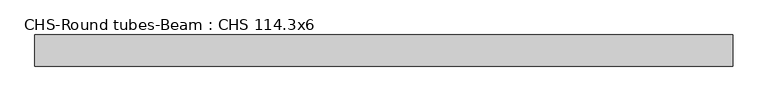
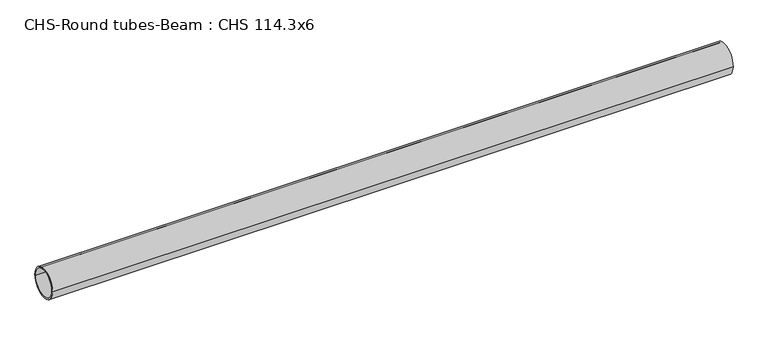
"""IFC4 building model written with IfcOpenShell, lengths in millimetres: beam geometry, CHS-Round tubes-Beam : CHS 114.3x6."""

import ifcopenshell
import ifcopenshell.guid

model = None  # the IFC model being written
_history = None  # IfcOwnerHistory: only IFC2X3 demands one
_inside = {}  # id of a spatial element -> (the spatial element, [elements in it])
_under = {}  # id of a project, library or spatial element -> (it, [spatial elements below it])
_declared = {}  # id of a project -> (the project, [libraries it declares])
_typed = {}  # id of a type object -> (the type object, [elements of that type])
_made_of = {}  # id of a material, layer set ... -> (it, [elements and type objects made of it])


def new_model(schema):
    """Start an empty IFC model of exactly this schema.

    Asked for "IFC4X3", IfcOpenShell would pick the latest addendum, in which some entities
    have other attributes; the version numbers below select the first issue.
    IFC2X3 requires an IfcOwnerHistory on every rooted entity: one is made here for all.
    """
    global model, _history
    if schema == "IFC4X3":
        model = ifcopenshell.file(schema_version=(4, 3, 0, 0))
    else:
        model = ifcopenshell.file(schema=schema)
    _inside.clear()
    _under.clear()
    _declared.clear()
    _typed.clear()
    _made_of.clear()
    _history = None
    if model.schema == "IFC2X3":
        org = make("IfcOrganization", Name="unknown")
        user = make(
            "IfcPersonAndOrganization",
            ThePerson=make("IfcPerson", FamilyName="unknown"),
            TheOrganization=org,
        )
        app = make(
            "IfcApplication",
            ApplicationDeveloper=org,
            Version="unknown",
            ApplicationFullName="unknown",
            ApplicationIdentifier="unknown",
        )
        _history = make(
            "IfcOwnerHistory",
            OwningUser=user,
            OwningApplication=app,
            ChangeAction="ADDED",
            CreationDate=0,
        )
    return model


def make(cls, **values):
    """One entity of the class cls with the attributes given. An attribute that is None is left unset."""
    return model.create_entity(
        cls, **{name: value for name, value in values.items() if value is not None}
    )


def rooted(cls, **values):
    """An entity with a GlobalId (a new one), such as an element, a storey or a relation."""
    return make(cls, GlobalId=ifcopenshell.guid.new(), OwnerHistory=_history, **values)


def si_unit(unit_type, name, prefix=None):
    """IfcSIUnit, for example si_unit("LENGTHUNIT", "METRE", prefix="MILLI")."""
    return make("IfcSIUnit", UnitType=unit_type, Prefix=prefix, Name=name)


def assignment(units):
    """IfcUnitAssignment: the units of a project."""
    return None if units is None else make("IfcUnitAssignment", Units=units)


def point(xyz):
    """IfcCartesianPoint."""
    return None if xyz is None else make("IfcCartesianPoint", Coordinates=xyz)


def direction(xyz):
    """IfcDirection."""
    return None if xyz is None else make("IfcDirection", DirectionRatios=xyz)


def frame(location, z_axis=None, x_axis=None):
    """IfcAxis2Placement3D, a coordinate frame: its origin and axes. An axis left out is left unset."""
    return make(
        "IfcAxis2Placement3D",
        Location=point(location),
        Axis=direction(z_axis),
        RefDirection=direction(x_axis),
    )


def frame_2d(location, x_axis=None):
    """IfcAxis2Placement2D, a coordinate frame in the plane: its origin and x axis."""
    return make(
        "IfcAxis2Placement2D", Location=point(location), RefDirection=direction(x_axis)
    )


def origin():
    """The frame at (0, 0, 0) with its axes left unset."""
    return frame((0.0, 0.0, 0.0))


def origin_2d():
    """The frame at (0, 0) in the plane with its x axis left unset."""
    return frame_2d((0.0, 0.0))


def place(relative_to, where):
    """IfcLocalPlacement: puts the frame where relative to a parent placement (None: the world)."""
    return make(
        "IfcLocalPlacement", PlacementRelTo=relative_to, RelativePlacement=where
    )


def context(
    kind, dimensions, precision=None, world=None, true_north=None, identifier=None
):
    """IfcGeometricRepresentationContext, for example the 3D "Model" context."""
    return make(
        "IfcGeometricRepresentationContext",
        ContextIdentifier=identifier,
        ContextType=kind,
        CoordinateSpaceDimension=dimensions,
        Precision=precision,
        WorldCoordinateSystem=world,
        TrueNorth=true_north,
    )


def project(units=None, contexts=None):
    """IfcProject with its units and contexts."""
    return rooted(
        "IfcProject",
        Name="project",
        RepresentationContexts=contexts,
        UnitsInContext=assignment(units),
    )


def spatial(cls, under=None, at=None, **own):
    """A site, building, storey or space (cls), placed at a placement, below another one or the project."""
    s = rooted(cls, ObjectPlacement=at, **own)
    if under is not None:
        _under.setdefault(under.id(), (under, []))[1].append(s)
    return s


def circle_curve(where, radius):
    """IfcCircle in the frame where."""
    return make("IfcCircle", Position=where, Radius=radius)


def trimmed(basis, trim1, trim2, sense, master):
    """IfcTrimmedCurve: the piece of a basis curve between two trims."""
    return make(
        "IfcTrimmedCurve",
        BasisCurve=basis,
        Trim1=trim1,
        Trim2=trim2,
        SenseAgreement=sense,
        MasterRepresentation=master,
    )


def segment(curve, same_sense, transition):
    """IfcCompositeCurveSegment."""
    return make(
        "IfcCompositeCurveSegment",
        Transition=transition,
        SameSense=same_sense,
        ParentCurve=curve,
    )


def composite_curve(segments, self_intersect=None):
    """IfcCompositeCurve: segments joined end to end."""
    return make("IfcCompositeCurve", Segments=segments, SelfIntersect=self_intersect)


def outline(outer, holes=None, kind="AREA"):
    """IfcArbitraryClosedProfileDef: a profile drawn as a closed curve; with holes, ...WithVoids."""
    if holes is None:
        return make("IfcArbitraryClosedProfileDef", ProfileType=kind, OuterCurve=outer)
    return make(
        "IfcArbitraryProfileDefWithVoids",
        ProfileType=kind,
        OuterCurve=outer,
        InnerCurves=holes,
    )


def extrude(swept, where, along, depth):
    """IfcExtrudedAreaSolid: the profile swept, set in the frame where, extruded along a direction by depth."""
    return make(
        "IfcExtrudedAreaSolid",
        SweptArea=swept,
        Position=where,
        ExtrudedDirection=direction(along),
        Depth=depth,
    )


def shape(context_of_items, identifier, shape_type, items):
    """IfcShapeRepresentation: the items that make up one representation, for example the "Body"."""
    return make(
        "IfcShapeRepresentation",
        ContextOfItems=context_of_items,
        RepresentationIdentifier=identifier,
        RepresentationType=shape_type,
        Items=items,
    )


def source(mapping_origin, context_of_items, identifier, shape_type, items):
    """IfcRepresentationMap: a shape defined once, which mapped items show again and again."""
    return make(
        "IfcRepresentationMap",
        MappingOrigin=mapping_origin,
        MappedRepresentation=shape(context_of_items, identifier, shape_type, items),
    )


def transform(
    local_origin,
    x_axis=None,
    y_axis=None,
    z_axis=None,
    scale=None,
    scale2=None,
    scale3=None,
    uniform=True,
):
    """IfcCartesianTransformationOperator3D, or its non-uniform kind. x_axis, y_axis, z_axis: its Axis1, 2, 3."""
    if uniform:
        return make(
            "IfcCartesianTransformationOperator3D",
            Axis1=direction(x_axis),
            Axis2=direction(y_axis),
            LocalOrigin=point(local_origin),
            Scale=scale,
            Axis3=direction(z_axis),
        )
    return make(
        "IfcCartesianTransformationOperator3DnonUniform",
        Axis1=direction(x_axis),
        Axis2=direction(y_axis),
        LocalOrigin=point(local_origin),
        Scale=scale,
        Axis3=direction(z_axis),
        Scale2=scale2,
        Scale3=scale3,
    )


def mapped(mapping_source, mapping_target):
    """IfcMappedItem: shows the shape of a source again, moved by a transform."""
    return make(
        "IfcMappedItem", MappingSource=mapping_source, MappingTarget=mapping_target
    )


def made_of(thing, what):
    """Note that an element or type object is made of a material, layer set ...; save() writes the relation."""
    if what is not None:
        _made_of.setdefault(what.id(), (what, []))[1].append(thing)
    return thing


def element(
    cls,
    number,
    at=None,
    inside=None,
    cuts=None,
    type_object=None,
    material=None,
    context=None,
    identifier="Body",
    shape_type=None,
    held_by="IfcProductDefinitionShape",
    body=None,
    shapes=None,
    **own,
):
    """One element of the class cls, such as IfcWall. Its Tag is "e" and its number.

    at: its placement. inside: the storey or other place that contains it. cuts: it is an
    opening in that element (IfcRelVoidsElement). A single representation is given by context,
    identifier, shape_type and body (its items); several are given by shapes. held_by: the class
    of the entity that holds the representations. save() writes the other relations.
    """
    e = rooted(cls, Tag="e%d" % number, ObjectPlacement=at, **own)
    if body is not None:
        shapes = [shape(context, identifier, shape_type, body)]
    if shapes is not None:
        e.Representation = make(held_by, Representations=shapes)
    if inside is not None:
        _inside.setdefault(inside.id(), (inside, []))[1].append(e)
    if cuts is not None:
        rooted(
            "IfcRelVoidsElement", RelatingBuildingElement=cuts, RelatedOpeningElement=e
        )
    if type_object is not None:
        _typed.setdefault(type_object.id(), (type_object, []))[1].append(e)
    return made_of(e, material)


def aggregate(whole, parts):
    """IfcRelAggregates: a whole, such as a stair, and the parts it consists of."""
    return rooted("IfcRelAggregates", RelatingObject=whole, RelatedObjects=parts)


def save(model, path):
    """Write the relations noted so far, then the file.

    IfcRelAggregates (storeys below a building ...), IfcRelContainedInSpatialStructure (elements
    in a storey), IfcRelDefinesByType, IfcRelAssociatesMaterial and IfcRelDeclares: one each for
    every whole, place, type object, material and project.
    """
    for whole, parts in _under.values():
        aggregate(whole, parts)
    for where, things in _inside.values():
        rooted(
            "IfcRelContainedInSpatialStructure",
            RelatedElements=things,
            RelatingStructure=where,
        )
    for kind, things in _typed.values():
        rooted("IfcRelDefinesByType", RelatedObjects=things, RelatingType=kind)
    for what, things in _made_of.values():
        rooted("IfcRelAssociatesMaterial", RelatedObjects=things, RelatingMaterial=what)
    for by, libraries in _declared.values():
        rooted("IfcRelDeclares", RelatingContext=by, RelatedDefinitions=libraries)
    model.write(path)


def chs_round_tubes_beam_chs_114_3x6_8597f2fc(model_context):
    return source(origin(), model_context, "Body", "SweptSolid", [
        extrude(outline(composite_curve([segment(trimmed(circle_curve(origin_2d(), 57.15), [point((57.15, 0.0))], [point((-57.15, 0.0))], False, "CARTESIAN"), True, "CONTINUOUS"), segment(trimmed(circle_curve(origin_2d(), 57.15), [point((-57.15, 0.0))], [point((57.15, 0.0))], False, "CARTESIAN"), True, "CONTINUOUS")], self_intersect=False), holes=[composite_curve([segment(trimmed(circle_curve(origin_2d(), 51.15), [point((51.15, 0.0))], [point((-51.15, 0.0))], True, "CARTESIAN"), True, "CONTINUOUS"), segment(trimmed(circle_curve(origin_2d(), 51.15), [point((-51.15, 0.0))], [point((51.15, 0.0))], True, "CARTESIAN"), True, "CONTINUOUS")], self_intersect=False)]), frame((-1244.298309, 0.0, 0.0), z_axis=(1.0, 0.0, 0.0), x_axis=(0.0, 1.0, 0.0)), (0.0, 0.0, 1.0), 2566.1461701),
    ])


if __name__ == "__main__":
    model = new_model("IFC4")
    model_context = context("Model", 3, world=origin())
    ifc_project = project(units=[si_unit("LENGTHUNIT", "METRE", prefix="MILLI")], contexts=[model_context])
    site = spatial("IfcSite", under=ifc_project)
    building = spatial("IfcBuilding", under=site)
    placement = place(None, origin())
    chs_round_tubes_beam_chs_114_3x6_shape = chs_round_tubes_beam_chs_114_3x6_8597f2fc(model_context)
    element("IfcBeam", 1, ObjectType="CHS-Round tubes-Beam : CHS 114.3x6", at=placement, inside=building, context=model_context, shape_type="MappedRepresentation", body=[
        mapped(chs_round_tubes_beam_chs_114_3x6_shape, transform((0.0, 0.0, 0.0), x_axis=(1.0, 0.0, 0.0), y_axis=(0.0, 1.0, 0.0), z_axis=(0.0, 0.0, 1.0))),
    ])
    save(model, "model.ifc")
